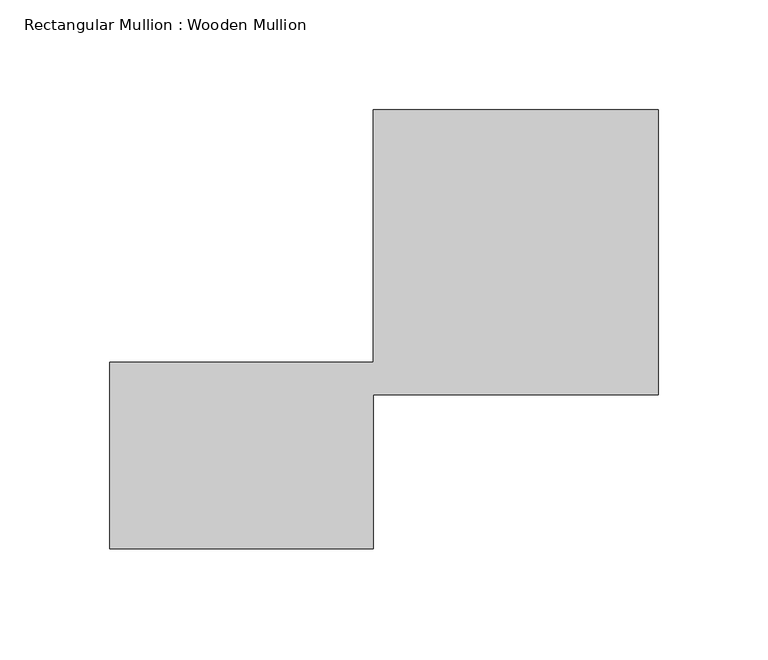
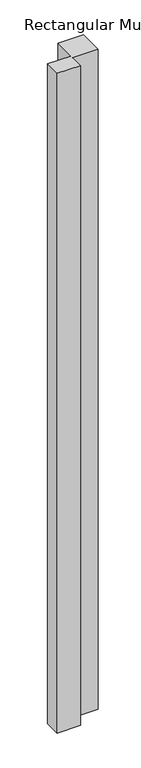
"""IFC4 building model written with IfcOpenShell, lengths in millimetres: member geometry, Rectangular Mullion : Wooden Mullion."""

from ifc_helpers import new_model, si_unit, frame, origin, place, context, project, spatial, polyline, outline, extrude, source, transform, mapped, element, save


def rectangular_mullion_wooden_mullion_e74d1f12(model_context):
    return source(origin(), model_context, "Body", "SweptSolid", [
        extrude(outline(polyline([(74.8100006, -26.0137344), (-45.1899994, -26.0137344), (-45.1899994, 58.9862656), (74.8100006, 58.9862656), (74.8100006, 173.9862656), (204.8100006, 173.9862656), (204.8100006, 43.9862656), (74.8100006, 43.9862656), (74.8100006, -26.0137344)])), frame((0.0, 0.0, -3579.2115878), z_axis=(0.0, 0.0, 1.0), x_axis=(1.0, 0.0, 0.0)), (0.0, 0.0, 1.0), 3579.2115878),
    ])


if __name__ == "__main__":
    model = new_model("IFC4")
    model_context = context("Model", 3, world=origin())
    ifc_project = project(units=[si_unit("LENGTHUNIT", "METRE", prefix="MILLI")], contexts=[model_context])
    site = spatial("IfcSite", under=ifc_project)
    building = spatial("IfcBuilding", under=site)
    placement = place(None, origin())
    rectangular_mullion_wooden_mullion_shape = rectangular_mullion_wooden_mullion_e74d1f12(model_context)
    element("IfcMember", 1, ObjectType="Rectangular Mullion : Wooden Mullion", at=placement, inside=building, context=model_context, shape_type="MappedRepresentation", body=[
        mapped(rectangular_mullion_wooden_mullion_shape, transform((0.0, 0.0, 0.0), x_axis=(1.0, 0.0, 0.0), y_axis=(0.0, 1.0, 0.0), z_axis=(0.0, 0.0, 1.0))),
    ])
    save(model, "model.ifc")
